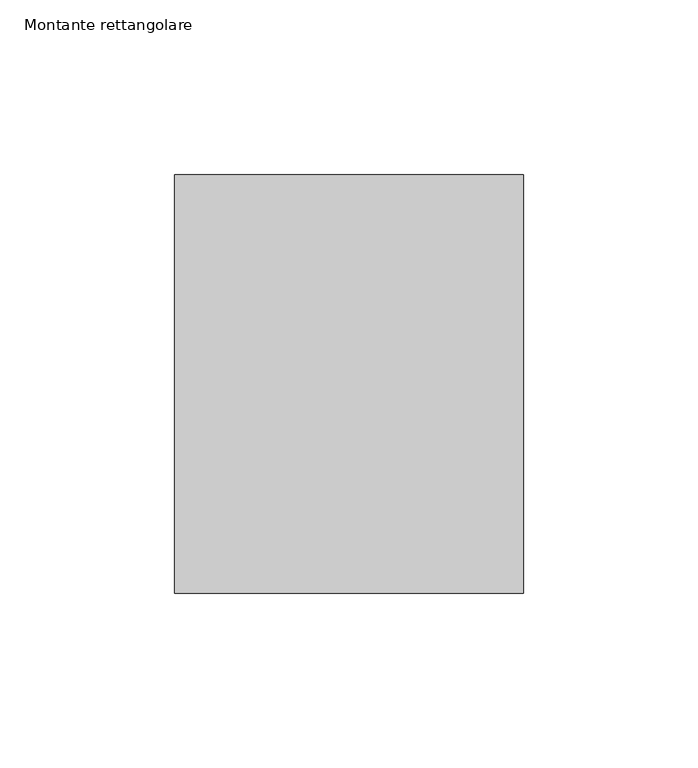
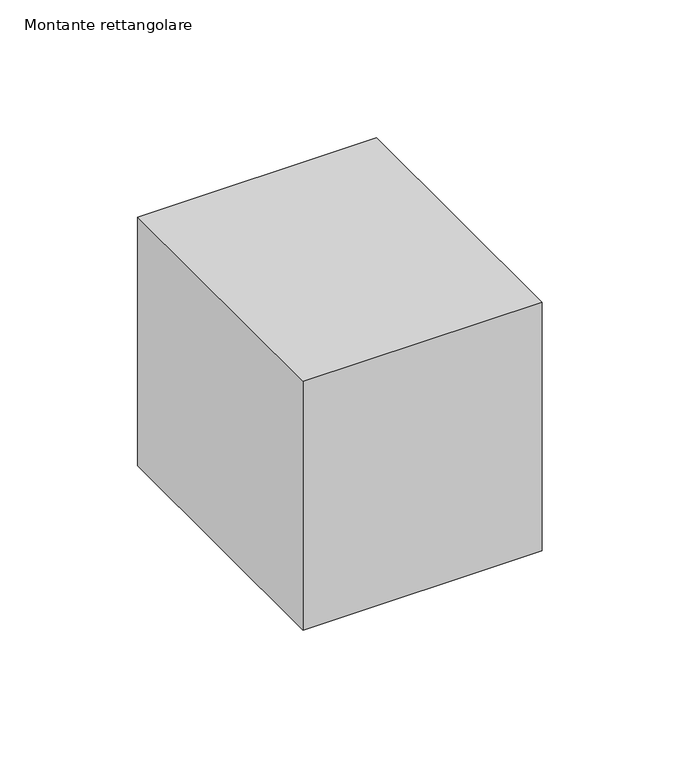
"""IFC4 building model written with IfcOpenShell, lengths in millimetres: member geometry, Montante rettangolare."""

from ifc_helpers import new_model, si_unit, frame, origin, place, context, project, spatial, polyline, outline, extrude, source, transform, mapped, element, save


def montante_rettangolare_c701200e(model_context):
    return source(origin(), model_context, "Body", "SweptSolid", [
        extrude(outline(polyline([(50.0, 60.0), (50.0, -60.0), (-50.0, -60.0), (-50.0, 60.0), (50.0, 60.0)])), frame((0.0, 0.0, -110.0), z_axis=(0.0, 0.0, 1.0), x_axis=(1.0, 0.0, 0.0)), (0.0, 0.0, 1.0), 110.0),
    ])


if __name__ == "__main__":
    model = new_model("IFC4")
    model_context = context("Model", 3, world=origin())
    ifc_project = project(units=[si_unit("LENGTHUNIT", "METRE", prefix="MILLI")], contexts=[model_context])
    site = spatial("IfcSite", under=ifc_project)
    building = spatial("IfcBuilding", under=site)
    placement = place(None, origin())
    montante_rettangolare_shape = montante_rettangolare_c701200e(model_context)
    element("IfcMember", 1, ObjectType="Montante rettangolare", at=placement, inside=building, context=model_context, shape_type="MappedRepresentation", body=[
        mapped(montante_rettangolare_shape, transform((0.0, 0.0, 0.0), x_axis=(1.0, 0.0, 0.0), y_axis=(0.0, 1.0, 0.0), z_axis=(0.0, 0.0, 1.0))),
    ])
    save(model, "model.ifc")
